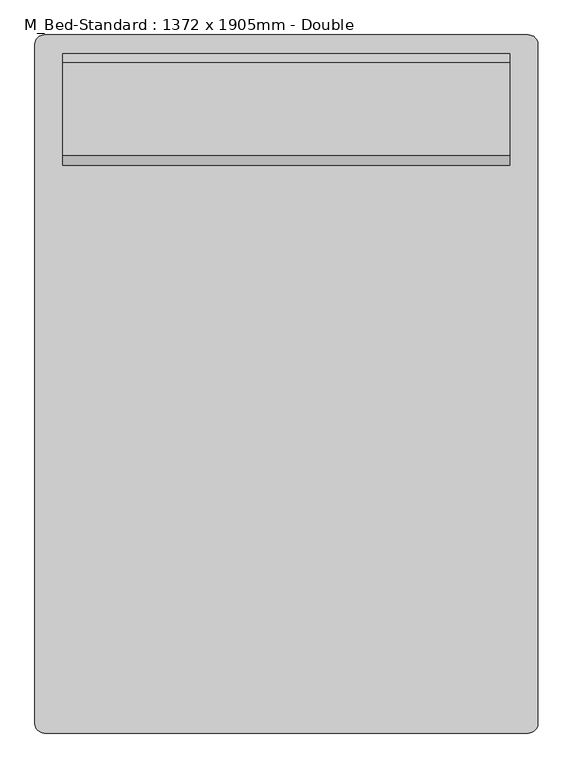
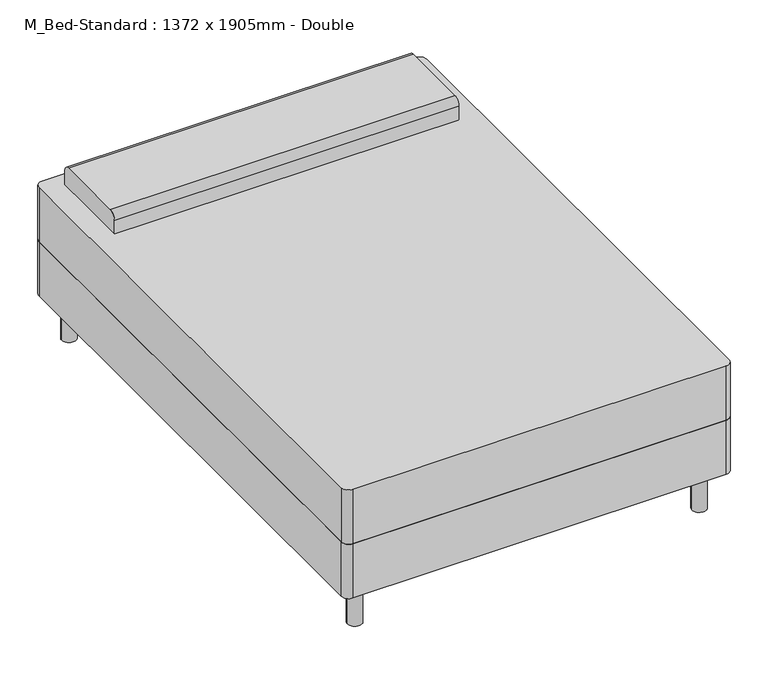
"""IFC4 building model written with IfcOpenShell, lengths in millimetres: furniture geometry, M_Bed-Standard : 1372 x 1905mm - Double."""

from ifc_helpers import new_model, si_unit, point, frame, frame_2d, origin, origin_with_axes, place, context, project, spatial, polyline, circle_curve, trimmed, segment, composite_curve, outline, extrude, source, transform, mapped, element, save


def m_bed_standard_1372_x_1905mm_double_2dcc4a2e(model_context):
    return source(origin(), model_context, "Body", "SweptSolid", [
        extrude(outline(composite_curve([segment(polyline([(-414.5114754, -972.695082), (-414.5114754, 881.504918)]), True, "CONTINUOUS"), segment(trimmed(circle_curve(frame_2d((-389.1114754, 881.504918)), 25.4), [point((-414.5114754, 881.504918))], [point((-389.1114754, 906.904918))], False, "CARTESIAN"), True, "CONTINUOUS"), segment(polyline([(-389.1114754, 906.904918), (932.0885246, 906.904918)]), True, "CONTINUOUS"), segment(trimmed(circle_curve(frame_2d((932.0885246, 881.504918)), 25.4), [point((932.0885246, 906.904918))], [point((957.4885246, 881.504918))], False, "CARTESIAN"), True, "CONTINUOUS"), segment(polyline([(957.4885246, 881.504918), (957.4885246, -972.695082)]), True, "CONTINUOUS"), segment(trimmed(circle_curve(frame_2d((932.0885246, -972.695082)), 25.4), [point((957.4885246, -972.695082))], [point((932.0885246, -998.095082))], False, "CARTESIAN"), True, "CONTINUOUS"), segment(polyline([(932.0885246, -998.095082), (-389.1114754, -998.095082)]), True, "CONTINUOUS"), segment(trimmed(circle_curve(frame_2d((-389.1114754, -972.695082)), 25.4), [point((-389.1114754, -998.095082))], [point((-414.5114754, -972.695082))], False, "CARTESIAN"), True, "CONTINUOUS")], self_intersect=False)), frame((0.0, 0.0, 152.4), z_axis=(0.0, 0.0, 1.0), x_axis=(1.0, 0.0, 0.0)), (0.0, 0.0, 1.0), 203.2),
        extrude(outline(composite_curve([segment(polyline([(551.304918, 558.8), (551.304918, 609.6)]), True, "CONTINUOUS"), segment(trimmed(circle_curve(frame_2d((576.704918, 609.6)), 25.4), [point((551.304918, 609.6))], [point((576.704918, 635.0))], False, "CARTESIAN"), True, "CONTINUOUS"), segment(polyline([(576.704918, 635.0), (830.704918, 635.0)]), True, "CONTINUOUS"), segment(trimmed(circle_curve(frame_2d((830.704918, 609.6)), 25.4), [point((830.704918, 635.0))], [point((856.104918, 609.6))], False, "CARTESIAN"), True, "CONTINUOUS"), segment(polyline([(856.104918, 609.6), (856.104918, 558.8), (551.304918, 558.8)]), True, "CONTINUOUS")], self_intersect=False)), frame((-338.3114754, 0.0, 0.0), z_axis=(1.0, 0.0, 0.0), x_axis=(0.0, 1.0, 0.0)), (0.0, 0.0, 1.0), 1219.6),
        extrude(outline(composite_curve([segment(trimmed(circle_curve(frame_2d((-338.3114754, 830.704918)), 25.4), [point((-363.7114754, 830.704918))], [point((-312.9114754, 830.704918))], False, "CARTESIAN"), True, "CONTINUOUS"), segment(trimmed(circle_curve(frame_2d((-338.3114754, 830.704918)), 25.4), [point((-312.9114754, 830.704918))], [point((-363.7114754, 830.704918))], False, "CARTESIAN"), True, "CONTINUOUS")], self_intersect=False)), origin_with_axes(), (0.0, 0.0, 1.0), 152.4),
        extrude(outline(composite_curve([segment(trimmed(circle_curve(frame_2d((881.2885246, 830.704918)), 25.4), [point((855.8885246, 830.704918))], [point((906.6885246, 830.704918))], False, "CARTESIAN"), True, "CONTINUOUS"), segment(trimmed(circle_curve(frame_2d((881.2885246, 830.704918)), 25.4), [point((906.6885246, 830.704918))], [point((855.8885246, 830.704918))], False, "CARTESIAN"), True, "CONTINUOUS")], self_intersect=False)), origin_with_axes(), (0.0, 0.0, 1.0), 152.4),
        extrude(outline(composite_curve([segment(trimmed(circle_curve(frame_2d((881.2885246, -921.895082)), 25.4), [point((855.8885246, -921.895082))], [point((906.6885246, -921.895082))], False, "CARTESIAN"), True, "CONTINUOUS"), segment(trimmed(circle_curve(frame_2d((881.2885246, -921.895082)), 25.4), [point((906.6885246, -921.895082))], [point((855.8885246, -921.895082))], False, "CARTESIAN"), True, "CONTINUOUS")], self_intersect=False)), origin_with_axes(), (0.0, 0.0, 1.0), 152.4),
        extrude(outline(composite_curve([segment(trimmed(circle_curve(frame_2d((-338.3114754, -921.895082)), 25.4), [point((-363.7114754, -921.895082))], [point((-312.9114754, -921.895082))], False, "CARTESIAN"), True, "CONTINUOUS"), segment(trimmed(circle_curve(frame_2d((-338.3114754, -921.895082)), 25.4), [point((-312.9114754, -921.895082))], [point((-363.7114754, -921.895082))], False, "CARTESIAN"), True, "CONTINUOUS")], self_intersect=False)), origin_with_axes(), (0.0, 0.0, 1.0), 152.4),
        extrude(outline(composite_curve([segment(polyline([(-389.1114754, 906.904918), (932.0885246, 906.904918)]), True, "CONTINUOUS"), segment(trimmed(circle_curve(frame_2d((932.0885246, 881.504918)), 25.4), [point((932.0885246, 906.904918))], [point((957.4885246, 881.504918))], False, "CARTESIAN"), True, "CONTINUOUS"), segment(polyline([(957.4885246, 881.504918), (957.4885246, -972.695082)]), True, "CONTINUOUS"), segment(trimmed(circle_curve(frame_2d((932.0885246, -972.695082)), 25.4), [point((957.4885246, -972.695082))], [point((932.0885246, -998.095082))], False, "CARTESIAN"), True, "CONTINUOUS"), segment(polyline([(932.0885246, -998.095082), (-389.1114754, -998.095082)]), True, "CONTINUOUS"), segment(trimmed(circle_curve(frame_2d((-389.1114754, -972.695082)), 25.4), [point((-389.1114754, -998.095082))], [point((-414.5114754, -972.695082))], False, "CARTESIAN"), True, "CONTINUOUS"), segment(polyline([(-414.5114754, -972.695082), (-414.5114754, 881.504918)]), True, "CONTINUOUS"), segment(trimmed(circle_curve(frame_2d((-389.1114754, 881.504918)), 25.4), [point((-414.5114754, 881.504918))], [point((-389.1114754, 906.904918))], False, "CARTESIAN"), True, "CONTINUOUS")], self_intersect=False)), frame((0.0, 0.0, 355.6), z_axis=(0.0, 0.0, 1.0), x_axis=(1.0, 0.0, 0.0)), (0.0, 0.0, 1.0), 203.2),
    ])


if __name__ == "__main__":
    model = new_model("IFC4")
    model_context = context("Model", 3, world=origin())
    ifc_project = project(units=[si_unit("LENGTHUNIT", "METRE", prefix="MILLI")], contexts=[model_context])
    site = spatial("IfcSite", under=ifc_project)
    building = spatial("IfcBuilding", under=site)
    placement = place(None, origin())
    m_bed_standard_1372_x_1905mm_double_shape = m_bed_standard_1372_x_1905mm_double_2dcc4a2e(model_context)
    element("IfcFurniture", 1, ObjectType="M_Bed-Standard : 1372 x 1905mm - Double", at=placement, inside=building, context=model_context, shape_type="MappedRepresentation", body=[
        mapped(m_bed_standard_1372_x_1905mm_double_shape, transform((0.0, 0.0, 0.0), x_axis=(1.0, 0.0, 0.0), y_axis=(0.0, 1.0, 0.0), z_axis=(0.0, 0.0, 1.0))),
    ])
    save(model, "model.ifc")
